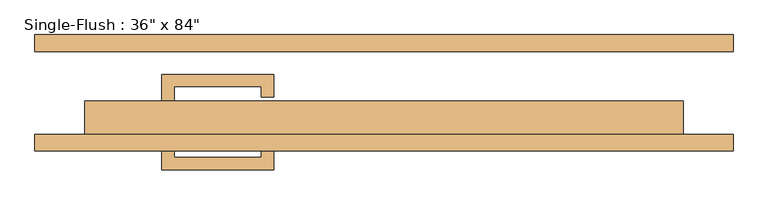
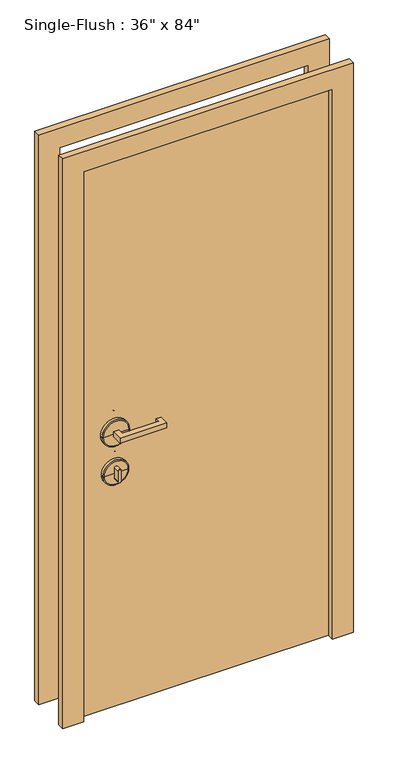
"""IFC4 building model written with IfcOpenShell, lengths in millimetres: door geometry."""

from ifc_helpers import new_model, si_unit, point, frame, frame_2d, origin, origin_with_axes, place, context, project, spatial, polyline, circle_curve, ellipse_curve, trimmed, segment, composite_curve, outline, extrude, source, transform, mapped, element, save
from ifc_brep_helpers import plane_surface, cylinder_surface, revolved_surface, advanced_brep


def door_5ecd9e44(model_context):
    return source(origin(), model_context, "Body", "SolidModel", [
        extrude(outline(polyline([(-320.675, -12.7), (-339.725, -12.7), (-339.725, 28.575), (-168.275, 28.575), (-168.275, -6.35), (-187.325, -6.35), (-187.325, 9.525), (-320.675, 9.525), (-320.675, -12.7)])), frame((0.0, 0.0, 1057.275), z_axis=(0.0, 0.0, 1.0), x_axis=(1.0, 0.0, 0.0)), (0.0, 0.0, 1.0), 19.05),
        extrude(outline(composite_curve([segment(trimmed(circle_curve(frame_2d((895.35, -330.2)), 6.35), [point((895.35, -336.55))], [point((895.35, -323.85))], False, "CARTESIAN"), True, "CONTINUOUS"), segment(polyline([(895.35, -323.85), (933.45, -323.85)]), True, "CONTINUOUS"), segment(trimmed(circle_curve(frame_2d((933.45, -330.2)), 6.35), [point((933.45, -323.85))], [point((933.45, -336.55))], False, "CARTESIAN"), True, "CONTINUOUS"), segment(polyline([(933.45, -336.55), (895.35, -336.55)]), True, "CONTINUOUS")], self_intersect=False)), frame((0.0, -12.7, 0.0), z_axis=(0.0, 1.0, 0.0), x_axis=(0.0, 0.0, 1.0)), (0.0, 0.0, 1.0), 22.225),
        advanced_brep(
        [(-282.575, -15.875, 914.4), (-377.825, -15.875, 914.4), (-377.825, -25.4, 914.4), (-282.575, -25.4, 914.4), (-285.75, -12.7, 914.4), (-374.65, -12.7, 914.4), (-330.2, -12.7, 914.4), (-330.2, -25.4, 914.4)],
        [
            (0, 1, circle_curve(frame((-330.2, -15.875, 914.4), z_axis=(0.0, -1.0, 0.0), x_axis=(-1.0, 0.0, 0.0)), 47.625)),
            (1, 2),
            (2, 3, circle_curve(frame((-330.2, -25.4, 914.4), z_axis=(0.0, 1.0, 0.0), x_axis=(-1.0, 0.0, 0.0)), 47.625)),
            (3, 0),
            (1, 0, circle_curve(frame((-330.2, -15.875, 914.4), z_axis=(0.0, -1.0, 0.0), x_axis=(-1.0, 0.0, 0.0)), 47.625)),
            (3, 2, circle_curve(frame((-330.2, -25.4, 914.4), z_axis=(0.0, 1.0, 0.0), x_axis=(-1.0, 0.0, 0.0)), 47.625)),
            (4, 5, circle_curve(frame((-330.2, -12.7, 914.4), z_axis=(0.0, -1.0, 0.0), x_axis=(-1.0, 0.0, 0.0)), 44.45)),
            (5, 1, circle_curve(frame((-374.65, -15.875, 914.4), z_axis=(0.0, 0.0, 1.0), x_axis=(1.0, 0.0, 0.0)), 3.175)),
            (0, 4, circle_curve(frame((-285.75, -15.875, 914.4), z_axis=(0.0, 0.0, 1.0), x_axis=(-1.0, 0.0, 0.0)), 3.175)),
            (5, 4, circle_curve(frame((-330.2, -12.7, 914.4), z_axis=(0.0, -1.0, 0.0), x_axis=(-1.0, 0.0, 0.0)), 44.45)),
            (6, 5),
            (4, 6),
            (2, 7),
            (7, 3),
        ],
        [
            cylinder_surface(frame((-330.2, -152.4, 914.4), z_axis=(0.0, 1.0, 0.0), x_axis=(-1.0, 0.0, 0.0)), 47.625),
            revolved_surface(trimmed(ellipse_curve(frame((-374.65, -15.875, 914.4), z_axis=(0.0, 0.0, -1.0), x_axis=(1.0, 0.0, 0.0)), 3.175, 3.175), [point((-377.825, -15.875, 914.4))], [point((-374.65, -12.7, 914.4))], True, "CARTESIAN"), (-330.2, -152.4, 914.4), (0.0, 1.0, 0.0)),
            plane_surface(frame((-330.2, -12.7, 914.4), z_axis=(0.0, 1.0, 0.0), x_axis=(-1.0, 0.0, 0.0))),
            plane_surface(frame((-330.2, -25.4, 914.4), z_axis=(0.0, -1.0, 0.0), x_axis=(-1.0, 0.0, 0.0))),
        ],
        [
            (0, [[1, 2, 3, 4]]),
            (0, [[5, -4, 6, -2]]),
            (1, [[7, 8, -1, 9]]),
            (1, [[10, -9, -5, -8]]),
            (2, [[11, -7, 12]]),
            (2, [[-12, -10, -11]]),
            (3, [[-3, 13, 14]]),
            (3, [[-6, -14, -13]]),
        ],
    ),
        advanced_brep(
        [(-279.4, -15.875, 1066.8), (-381.0, -15.875, 1066.8), (-381.0, -25.4, 1066.8), (-279.4, -25.4, 1066.8), (-282.575, -12.7, 1066.8), (-377.825, -12.7, 1066.8), (-330.2, -12.7, 1066.8), (-330.2, -25.4, 1066.8)],
        [
            (0, 1, circle_curve(frame((-330.2, -15.875, 1066.8), z_axis=(0.0, -1.0, 0.0), x_axis=(-1.0, 0.0, 0.0)), 50.8)),
            (1, 2),
            (2, 3, circle_curve(frame((-330.2, -25.4, 1066.8), z_axis=(0.0, 1.0, 0.0), x_axis=(-1.0, 0.0, 0.0)), 50.8)),
            (3, 0),
            (1, 0, circle_curve(frame((-330.2, -15.875, 1066.8), z_axis=(0.0, -1.0, 0.0), x_axis=(-1.0, 0.0, 0.0)), 50.8)),
            (3, 2, circle_curve(frame((-330.2, -25.4, 1066.8), z_axis=(0.0, 1.0, 0.0), x_axis=(-1.0, 0.0, 0.0)), 50.8)),
            (4, 5, circle_curve(frame((-330.2, -12.7, 1066.8), z_axis=(0.0, -1.0, 0.0), x_axis=(-1.0, 0.0, 0.0)), 47.625)),
            (5, 1, circle_curve(frame((-377.825, -15.875, 1066.8), z_axis=(0.0, 0.0, 1.0), x_axis=(1.0, 0.0, 0.0)), 3.175)),
            (0, 4, circle_curve(frame((-282.575, -15.875, 1066.8), z_axis=(0.0, 0.0, 1.0), x_axis=(-1.0, 0.0, 0.0)), 3.175)),
            (5, 4, circle_curve(frame((-330.2, -12.7, 1066.8), z_axis=(0.0, -1.0, 0.0), x_axis=(-1.0, 0.0, 0.0)), 47.625)),
            (6, 5),
            (4, 6),
            (2, 7),
            (7, 3),
        ],
        [
            cylinder_surface(frame((-330.2, -152.4, 1066.8), z_axis=(0.0, 1.0, 0.0), x_axis=(-1.0, 0.0, 0.0)), 50.8),
            revolved_surface(trimmed(ellipse_curve(frame((-377.825, -15.875, 1066.8), z_axis=(0.0, 0.0, -1.0), x_axis=(1.0, 0.0, 0.0)), 3.175, 3.175), [point((-381.0, -15.875, 1066.8))], [point((-377.825, -12.7, 1066.8))], True, "CARTESIAN"), (-330.2, -152.4, 1066.8), (0.0, 1.0, 0.0)),
            plane_surface(frame((-330.2, -12.7, 1066.8), z_axis=(0.0, 1.0, 0.0), x_axis=(-1.0, 0.0, 0.0))),
            plane_surface(frame((-330.2, -25.4, 1066.8), z_axis=(0.0, -1.0, 0.0), x_axis=(-1.0, 0.0, 0.0))),
        ],
        [
            (0, [[1, 2, 3, 4]]),
            (0, [[5, -4, 6, -2]]),
            (1, [[7, 8, -1, 9]]),
            (1, [[10, -9, -5, -8]]),
            (2, [[11, -7, 12]]),
            (2, [[-12, -10, -11]]),
            (3, [[-3, 13, 14]]),
            (3, [[-6, -14, -13]]),
        ],
    ),
        extrude(outline(polyline([(-320.675, -76.2), (-320.675, -98.425), (-187.325, -98.425), (-187.325, -82.55), (-168.275, -82.55), (-168.275, -117.475), (-339.725, -117.475), (-339.725, -76.2), (-320.675, -76.2)])), frame((0.0, 0.0, 1057.275), z_axis=(0.0, 0.0, 1.0), x_axis=(1.0, 0.0, 0.0)), (0.0, 0.0, 1.0), 19.05),
        extrude(outline(composite_curve([segment(trimmed(circle_curve(frame_2d((895.35, -330.2)), 6.35), [point((895.35, -336.55))], [point((895.35, -323.85))], False, "CARTESIAN"), True, "CONTINUOUS"), segment(polyline([(895.35, -323.85), (933.45, -323.85)]), True, "CONTINUOUS"), segment(trimmed(circle_curve(frame_2d((933.45, -330.2)), 6.35), [point((933.45, -323.85))], [point((933.45, -336.55))], False, "CARTESIAN"), True, "CONTINUOUS"), segment(polyline([(933.45, -336.55), (895.35, -336.55)]), True, "CONTINUOUS")], self_intersect=False)), frame((0.0, -98.425, 0.0), z_axis=(0.0, 1.0, 0.0), x_axis=(0.0, 0.0, 1.0)), (0.0, 0.0, 1.0), 22.225),
        advanced_brep(
        [(-282.575, -73.025, 914.4), (-282.575, -63.5, 914.4), (-377.825, -63.5, 914.4), (-377.825, -73.025, 914.4), (-285.75, -76.2, 914.4), (-374.65, -76.2, 914.4), (-330.2, -76.2, 914.4), (-330.2, -63.5, 914.4)],
        [
            (0, 1),
            (1, 2, circle_curve(frame((-330.2, -63.5, 914.4), z_axis=(0.0, -1.0, 0.0), x_axis=(-1.0, 0.0, 0.0)), 47.625)),
            (2, 3),
            (3, 0, circle_curve(frame((-330.2, -73.025, 914.4), z_axis=(0.0, 1.0, 0.0), x_axis=(-1.0, 0.0, 0.0)), 47.625)),
            (2, 1, circle_curve(frame((-330.2, -63.5, 914.4), z_axis=(0.0, -1.0, 0.0), x_axis=(-1.0, 0.0, 0.0)), 47.625)),
            (0, 3, circle_curve(frame((-330.2, -73.025, 914.4), z_axis=(0.0, 1.0, 0.0), x_axis=(-1.0, 0.0, 0.0)), 47.625)),
            (4, 0, circle_curve(frame((-285.75, -73.025, 914.4), z_axis=(0.0, 0.0, 1.0), x_axis=(-1.0, 0.0, 0.0)), 3.175)),
            (3, 5, circle_curve(frame((-374.65, -73.025, 914.4), z_axis=(0.0, 0.0, 1.0), x_axis=(1.0, 0.0, 0.0)), 3.175)),
            (5, 4, circle_curve(frame((-330.2, -76.2, 914.4), z_axis=(0.0, 1.0, 0.0), x_axis=(-1.0, 0.0, 0.0)), 44.45)),
            (4, 5, circle_curve(frame((-330.2, -76.2, 914.4), z_axis=(0.0, 1.0, 0.0), x_axis=(-1.0, 0.0, 0.0)), 44.45)),
            (6, 4),
            (5, 6),
            (1, 7),
            (7, 2),
        ],
        [
            cylinder_surface(frame((-330.2, 63.5, 914.4), z_axis=(0.0, -1.0, 0.0), x_axis=(-1.0, 0.0, 0.0)), 47.625),
            revolved_surface(trimmed(ellipse_curve(frame((-374.65, -73.025, 914.4), z_axis=(0.0, 0.0, 1.0), x_axis=(1.0, 0.0, 0.0)), 3.175, 3.175), [point((-377.825, -73.025, 914.4))], [point((-374.65, -76.2, 914.4))], True, "CARTESIAN"), (-330.2, 63.5, 914.4), (0.0, -1.0, 0.0)),
            plane_surface(frame((-330.2, -76.2, 914.4), z_axis=(0.0, -1.0, 0.0), x_axis=(-1.0, 0.0, 0.0))),
            plane_surface(frame((-330.2, -63.5, 914.4), z_axis=(0.0, 1.0, 0.0), x_axis=(-1.0, 0.0, 0.0))),
        ],
        [
            (0, [[1, 2, 3, 4]]),
            (0, [[-3, 5, -1, 6]]),
            (1, [[7, -4, 8, 9]]),
            (1, [[-8, -6, -7, 10]]),
            (2, [[11, -9, 12]]),
            (2, [[-12, -10, -11]]),
            (3, [[13, 14, -2]]),
            (3, [[-14, -13, -5]]),
        ],
    ),
        advanced_brep(
        [(-279.4, -73.025, 1066.8), (-279.4, -63.5, 1066.8), (-381.0, -63.5, 1066.8), (-381.0, -73.025, 1066.8), (-282.575, -76.2, 1066.8), (-377.825, -76.2, 1066.8), (-330.2, -76.2, 1066.8), (-330.2, -63.5, 1066.8)],
        [
            (0, 1),
            (1, 2, circle_curve(frame((-330.2, -63.5, 1066.8), z_axis=(0.0, -1.0, 0.0), x_axis=(-1.0, 0.0, 0.0)), 50.8)),
            (2, 3),
            (3, 0, circle_curve(frame((-330.2, -73.025, 1066.8), z_axis=(0.0, 1.0, 0.0), x_axis=(-1.0, 0.0, 0.0)), 50.8)),
            (2, 1, circle_curve(frame((-330.2, -63.5, 1066.8), z_axis=(0.0, -1.0, 0.0), x_axis=(-1.0, 0.0, 0.0)), 50.8)),
            (0, 3, circle_curve(frame((-330.2, -73.025, 1066.8), z_axis=(0.0, 1.0, 0.0), x_axis=(-1.0, 0.0, 0.0)), 50.8)),
            (4, 0, circle_curve(frame((-282.575, -73.025, 1066.8), z_axis=(0.0, 0.0, 1.0), x_axis=(-1.0, 0.0, 0.0)), 3.175)),
            (3, 5, circle_curve(frame((-377.825, -73.025, 1066.8), z_axis=(0.0, 0.0, 1.0), x_axis=(1.0, 0.0, 0.0)), 3.175)),
            (5, 4, circle_curve(frame((-330.2, -76.2, 1066.8), z_axis=(0.0, 1.0, 0.0), x_axis=(-1.0, 0.0, 0.0)), 47.625)),
            (4, 5, circle_curve(frame((-330.2, -76.2, 1066.8), z_axis=(0.0, 1.0, 0.0), x_axis=(-1.0, 0.0, 0.0)), 47.625)),
            (6, 4),
            (5, 6),
            (1, 7),
            (7, 2),
        ],
        [
            cylinder_surface(frame((-330.2, 63.5, 1066.8), z_axis=(0.0, -1.0, 0.0), x_axis=(-1.0, 0.0, 0.0)), 50.8),
            revolved_surface(trimmed(ellipse_curve(frame((-377.825, -73.025, 1066.8), z_axis=(0.0, 0.0, 1.0), x_axis=(1.0, 0.0, 0.0)), 3.175, 3.175), [point((-381.0, -73.025, 1066.8))], [point((-377.825, -76.2, 1066.8))], True, "CARTESIAN"), (-330.2, 63.5, 1066.8), (0.0, -1.0, 0.0)),
            plane_surface(frame((-330.2, -76.2, 1066.8), z_axis=(0.0, -1.0, 0.0), x_axis=(-1.0, 0.0, 0.0))),
            plane_surface(frame((-330.2, -63.5, 1066.8), z_axis=(0.0, 1.0, 0.0), x_axis=(-1.0, 0.0, 0.0))),
        ],
        [
            (0, [[1, 2, 3, 4]]),
            (0, [[-3, 5, -1, 6]]),
            (1, [[7, -4, 8, 9]]),
            (1, [[-8, -6, -7, 10]]),
            (2, [[11, -9, 12]]),
            (2, [[-12, -10, -11]]),
            (3, [[13, 14, -2]]),
            (3, [[-14, -13, -5]]),
        ],
    ),
        extrude(outline(polyline([(2209.8, -533.4), (0.0, -533.4), (0.0, -457.2), (2133.6, -457.2), (2133.6, 457.2), (0.0, 457.2), (0.0, 533.4), (2209.8, 533.4), (2209.8, -533.4)])), frame((0.0, -88.9, 0.0), z_axis=(0.0, 1.0, 0.0), x_axis=(0.0, 0.0, 1.0)), (0.0, 0.0, 1.0), 25.4),
        extrude(outline(polyline([(2209.8, 533.4), (2209.8, -533.4), (0.0, -533.4), (0.0, -457.2), (2133.6, -457.2), (2133.6, 457.2), (0.0, 457.2), (0.0, 533.4), (2209.8, 533.4)])), frame((0.0, 63.5, 0.0), z_axis=(0.0, 1.0, 0.0), x_axis=(0.0, 0.0, 1.0)), (0.0, 0.0, 1.0), 25.4),
        extrude(outline(polyline([(457.2, -12.7), (457.2, -63.5), (-457.2, -63.5), (-457.2, -12.7), (457.2, -12.7)])), origin_with_axes(), (0.0, 0.0, 1.0), 2133.6),
    ])


if __name__ == "__main__":
    model = new_model("IFC4")
    model_context = context("Model", 3, world=origin())
    ifc_project = project(units=[si_unit("LENGTHUNIT", "METRE", prefix="MILLI")], contexts=[model_context])
    site = spatial("IfcSite", under=ifc_project)
    building = spatial("IfcBuilding", under=site)
    placement = place(None, origin())
    door_shape = door_5ecd9e44(model_context)
    element("IfcDoor", 1, ObjectType="Single-Flush : 36\" x 84\"", at=placement, inside=building, context=model_context, shape_type="MappedRepresentation", body=[
        mapped(door_shape, transform((0.0, 0.0, 0.0), x_axis=(1.0, 0.0, 0.0), y_axis=(0.0, 1.0, 0.0), z_axis=(0.0, 0.0, 1.0))),
    ])
    save(model, "model.ifc")
